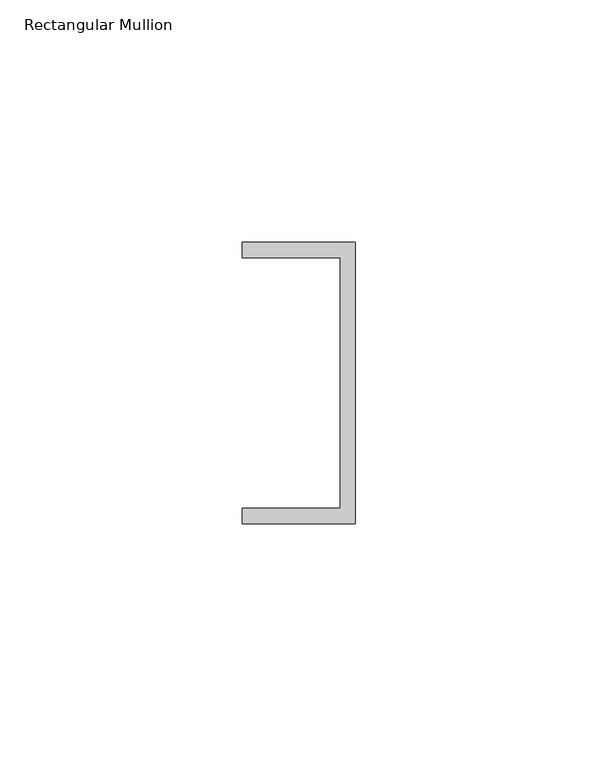
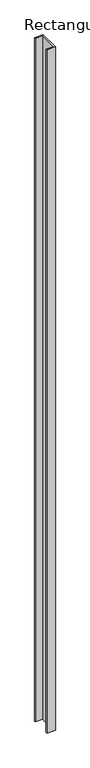
"""IFC4 building model written with IfcOpenShell, lengths in millimetres: member geometry, Rectangular Mullion."""

from ifc_helpers import new_model, si_unit, frame, origin, place, context, project, spatial, polyline, outline, extrude, source, transform, mapped, element, save


def rectangular_mullion_7ac4b66f(model_context):
    return source(origin(), model_context, "Body", "SweptSolid", [
        extrude(outline(polyline([(0.0, 29.0214844), (0.0, -29.0214844), (-23.3164063, -29.0214844), (-23.3164063, -25.8464844), (-3.175, -25.8464844), (-3.175, 25.8464844), (-23.3164063, 25.8464844), (-23.3164063, 29.0214844), (0.0, 29.0214844)])), frame((0.0, 0.0, -1990.0304687), z_axis=(0.0, 0.0, 1.0), x_axis=(1.0, 0.0, 0.0)), (0.0, 0.0, 1.0), 1990.0304688),
    ])


if __name__ == "__main__":
    model = new_model("IFC4")
    model_context = context("Model", 3, world=origin())
    ifc_project = project(units=[si_unit("LENGTHUNIT", "METRE", prefix="MILLI")], contexts=[model_context])
    site = spatial("IfcSite", under=ifc_project)
    building = spatial("IfcBuilding", under=site)
    placement = place(None, origin())
    rectangular_mullion_shape = rectangular_mullion_7ac4b66f(model_context)
    element("IfcMember", 1, ObjectType="Rectangular Mullion", at=placement, inside=building, context=model_context, shape_type="MappedRepresentation", body=[
        mapped(rectangular_mullion_shape, transform((0.0, 0.0, 0.0), x_axis=(1.0, 0.0, 0.0), y_axis=(0.0, 1.0, 0.0), z_axis=(0.0, 0.0, 1.0))),
    ])
    save(model, "model.ifc")
